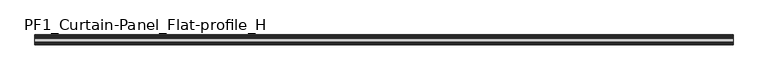
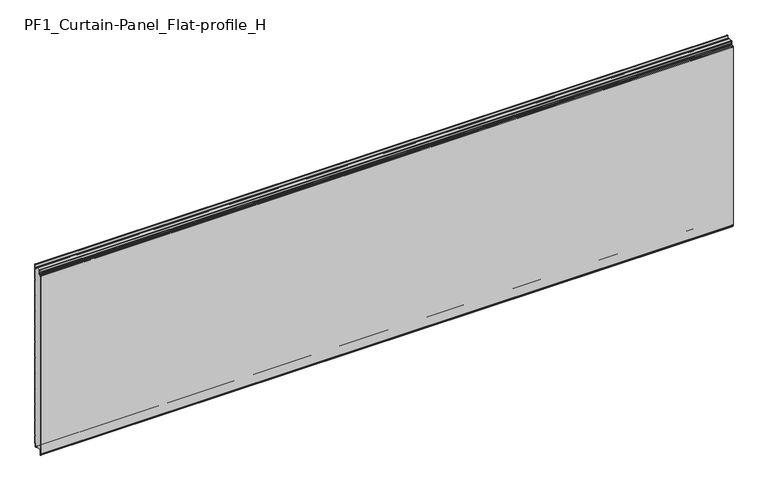
"""IFC4 building model written with IfcOpenShell, lengths in millimetres: plate geometry, PF1_Curtain-Panel_Flat-profile_H."""

from ifc_helpers import new_model, si_unit, point, frame, frame_2d, origin, place, context, project, spatial, polyline, circle_curve, trimmed, segment, composite_curve, outline, extrude, source, transform, mapped, element, save


def pf1_curtain_panel_flat_profile_h_8b7fa15d(model_context):
    return source(origin(), model_context, "Body", "SweptSolid", [
        extrude(outline(composite_curve([segment(polyline([(-15.878557, 0.0), (-20.0, 0.0), (-20.0, 0.8), (-15.878557, 0.8)]), True, "CONTINUOUS"), segment(trimmed(circle_curve(frame_2d((-15.878557, -2.0)), 2.8), [point((-15.878557, 0.8))], [point((-13.1503208, -1.370137))], False, "CARTESIAN"), True, "CONTINUOUS"), segment(polyline([(-13.1503208, -1.370137), (-11.728236, -7.529863)]), True, "CONTINUOUS"), segment(trimmed(circle_curve(frame_2d((-9.0, -6.9)), 2.8), [point((-11.728236, -7.529863))], [point((-6.2, -6.9))], True, "CARTESIAN"), True, "CONTINUOUS"), segment(polyline([(-6.2, -6.9), (-6.2, 8.6)]), True, "CONTINUOUS"), segment(trimmed(circle_curve(frame_2d((-3.4, 8.6)), 2.8), [point((-6.2, 8.6))], [point((-3.4, 11.4))], False, "CARTESIAN"), True, "CONTINUOUS"), segment(polyline([(-3.4, 11.4), (-2.0, 11.4)]), True, "CONTINUOUS"), segment(trimmed(circle_curve(frame_2d((-2.0, 12.6)), 1.2), [point((-2.0, 11.4))], [point((-0.8, 12.6))], True, "CARTESIAN"), True, "CONTINUOUS"), segment(polyline([(-0.8, 12.6), (-0.8, 57.6856412), (-2.482606, 60.6), (-0.8, 63.5143588), (-0.8, 157.6856412), (-2.482606, 160.6), (-0.8, 163.5143588), (-0.8, 257.6856412), (-2.482606, 260.6), (-0.8, 263.5143588), (-0.8, 357.6856412), (-2.482606, 360.6), (-0.8, 363.5143588), (-0.8, 457.6856412), (-2.482606, 460.6), (-0.8, 463.5143588), (-0.8, 557.6856412), (-2.482606, 560.6), (-0.8, 563.5143588), (-0.8, 657.6856412), (-2.482606, 660.6), (-0.8, 663.5143588), (-0.8, 757.6856412), (-2.482606, 760.6), (-0.8, 763.5143588), (-0.8, 857.6856412), (-2.482606, 860.6), (-0.8, 863.5143588), (-0.8, 957.6856412), (-2.482606, 960.6), (-0.8, 963.5143588), (-0.8, 1057.6856412), (-2.482606, 1060.6), (-0.8, 1063.5143588), (-0.8, 1158.268846)]), True, "CONTINUOUS"), segment(trimmed(circle_curve(frame_2d((-2.5, 1158.268846)), 1.7), [point((-0.8, 1158.268846))], [point((-4.2, 1158.268846))], True, "CARTESIAN"), True, "CONTINUOUS"), segment(polyline([(-4.2, 1158.268846), (-4.2, 1141.268846)]), True, "CONTINUOUS"), segment(trimmed(circle_curve(frame_2d((-9.0, 1141.268846)), 4.8), [point((-4.2, 1141.268846))], [point((-13.7270771, 1140.4353344))], False, "CARTESIAN"), True, "CONTINUOUS"), segment(polyline([(-13.7270771, 1140.4353344), (-14.8636953, 1146.8814129)]), True, "CONTINUOUS"), segment(trimmed(circle_curve(frame_2d((-16.6363492, 1146.568846)), 1.8), [point((-14.8636953, 1146.8814129))], [point((-16.6363492, 1148.368846))], True, "CARTESIAN"), True, "CONTINUOUS"), segment(polyline([(-16.6363492, 1148.368846), (-20.0, 1148.368846), (-20.0, 1149.168846), (-16.6363492, 1149.168846)]), True, "CONTINUOUS"), segment(trimmed(circle_curve(frame_2d((-16.6363492, 1146.568846)), 2.6), [point((-16.6363492, 1149.168846))], [point((-14.0758491, 1147.0203315))], False, "CARTESIAN"), True, "CONTINUOUS"), segment(polyline([(-14.0758491, 1147.0203315), (-12.939231, 1140.574253)]), True, "CONTINUOUS"), segment(trimmed(circle_curve(frame_2d((-9.0, 1141.268846)), 4.0), [point((-12.939231, 1140.574253))], [point((-5.0, 1141.268846))], True, "CARTESIAN"), True, "CONTINUOUS"), segment(polyline([(-5.0, 1141.268846), (-5.0, 1158.268846)]), True, "CONTINUOUS"), segment(trimmed(circle_curve(frame_2d((-2.5, 1158.268846)), 2.5), [point((-5.0, 1158.268846))], [point((0.0, 1158.268846))], False, "CARTESIAN"), True, "CONTINUOUS"), segment(polyline([(0.0, 1158.268846), (0.0, 1063.2999995), (-1.5588455, 1060.6), (0.0, 1057.9000005), (0.0, 963.2999995), (-1.5588455, 960.6), (0.0, 957.9000005), (0.0, 863.2999995), (-1.5588455, 860.6), (0.0, 857.9000005), (0.0, 763.2999995), (-1.5588455, 760.6), (0.0, 757.9000005), (0.0, 663.2999995), (-1.5588455, 660.6), (0.0, 657.9000005), (0.0, 563.2999995), (-1.5588455, 560.6), (0.0, 557.9000005), (0.0, 463.2999995), (-1.5588455, 460.6), (0.0, 457.9000005), (0.0, 363.2999995), (-1.5588455, 360.6), (0.0, 357.9000005), (0.0, 263.2999995), (-1.5588455, 260.6), (0.0, 257.9000005), (0.0, 163.2999995), (-1.5588455, 160.6), (0.0, 157.9000005), (0.0, 63.2999995), (-1.5588455, 60.6), (0.0, 57.9000005), (0.0, 12.6)]), True, "CONTINUOUS"), segment(trimmed(circle_curve(frame_2d((-2.0, 12.6)), 2.0), [point((0.0, 12.6))], [point((-2.0, 10.6))], False, "CARTESIAN"), True, "CONTINUOUS"), segment(polyline([(-2.0, 10.6), (-3.4, 10.6)]), True, "CONTINUOUS"), segment(trimmed(circle_curve(frame_2d((-3.4, 8.6)), 2.0), [point((-3.4, 10.6))], [point((-5.4, 8.6))], True, "CARTESIAN"), True, "CONTINUOUS"), segment(polyline([(-5.4, 8.6), (-5.4, -6.9)]), True, "CONTINUOUS"), segment(trimmed(circle_curve(frame_2d((-9.0, -6.9)), 3.6), [point((-5.4, -6.9))], [point((-12.5077322, -7.7098239))], False, "CARTESIAN"), True, "CONTINUOUS"), segment(polyline([(-12.5077322, -7.7098239), (-13.929817, -1.5500979)]), True, "CONTINUOUS"), segment(trimmed(circle_curve(frame_2d((-15.878557, -2.0)), 2.0), [point((-13.929817, -1.5500979))], [point((-15.878557, 0.0))], True, "CARTESIAN"), True, "CONTINUOUS")], self_intersect=False)), frame((-2100.0, 0.0, 0.0), z_axis=(1.0, 0.0, 0.0), x_axis=(0.0, 1.0, 0.0)), (0.0, 0.0, 1.0), 4200.0),
        extrude(outline(composite_curve([segment(polyline([(-50.0, 0.0), (-53.5, 0.0)]), True, "CONTINUOUS"), segment(trimmed(circle_curve(frame_2d((-53.5, -2.0)), 2.0), [point((-53.5, 0.0))], [point((-55.5, -2.0))], True, "CARTESIAN"), True, "CONTINUOUS"), segment(polyline([(-55.5, -2.0), (-55.5, -33.0)]), True, "CONTINUOUS"), segment(trimmed(circle_curve(frame_2d((-56.5, -33.0)), 1.0), [point((-55.5, -33.0))], [point((-57.5, -33.0))], False, "CARTESIAN"), True, "CONTINUOUS"), segment(polyline([(-57.5, -33.0), (-57.5, -26.9)]), True, "CONTINUOUS"), segment(trimmed(circle_curve(frame_2d((-58.4, -26.9)), 0.9), [point((-57.5, -26.9))], [point((-58.4, -26.0))], True, "CARTESIAN"), True, "CONTINUOUS"), segment(trimmed(circle_curve(frame_2d((-58.4, -24.4)), 1.6), [point((-58.4, -26.0))], [point((-60.0, -24.4))], False, "CARTESIAN"), True, "CONTINUOUS"), segment(polyline([(-60.0, -24.4), (-60.0, 1123.168846)]), True, "CONTINUOUS"), segment(trimmed(circle_curve(frame_2d((-59.0, 1123.168846)), 1.0), [point((-60.0, 1123.168846))], [point((-58.0, 1123.168846))], False, "CARTESIAN"), True, "CONTINUOUS"), segment(polyline([(-58.0, 1123.168846), (-58.0, 1117.168846)]), True, "CONTINUOUS"), segment(trimmed(circle_curve(frame_2d((-56.5, 1117.168846)), 1.5), [point((-58.0, 1117.168846))], [point((-55.0, 1117.168846))], True, "CARTESIAN"), True, "CONTINUOUS"), segment(polyline([(-55.0, 1117.168846), (-55.0, 1117.9964664)]), True, "CONTINUOUS"), segment(trimmed(circle_curve(frame_2d((-48.8276204, 1117.9964664)), 6.1723796), [point((-55.0, 1117.9964664))], [point((-48.8276204, 1124.168846))], False, "CARTESIAN"), True, "CONTINUOUS"), segment(polyline([(-48.8276204, 1124.168846), (-48.0, 1124.168846)]), True, "CONTINUOUS"), segment(trimmed(circle_curve(frame_2d((-48.0, 1125.168846)), 1.0), [point((-48.0, 1124.168846))], [point((-47.0, 1125.168846))], True, "CARTESIAN"), True, "CONTINUOUS"), segment(polyline([(-47.0, 1125.168846), (-47.0, 1131.6688472), (-45.4999999, 1133.168846), (-47.0, 1134.6688448), (-47.0, 1146.568846)]), True, "CONTINUOUS"), segment(trimmed(circle_curve(frame_2d((-44.4, 1146.568846)), 2.6), [point((-47.0, 1146.568846))], [point((-44.4, 1149.168846))], False, "CARTESIAN"), True, "CONTINUOUS"), segment(polyline([(-44.4, 1149.168846), (-43.0, 1149.168846), (-43.0, 1148.368846), (-44.4, 1148.368846)]), True, "CONTINUOUS"), segment(trimmed(circle_curve(frame_2d((-44.4, 1146.568846)), 1.8), [point((-44.4, 1148.368846))], [point((-46.2, 1146.568846))], True, "CARTESIAN"), True, "CONTINUOUS"), segment(polyline([(-46.2, 1146.568846), (-46.2, 1135.0002158), (-44.3686285, 1133.168846), (-46.2, 1131.3374762), (-46.2, 1125.168846)]), True, "CONTINUOUS"), segment(trimmed(circle_curve(frame_2d((-48.0, 1125.168846)), 1.8), [point((-46.2, 1125.168846))], [point((-48.0, 1123.368846))], False, "CARTESIAN"), True, "CONTINUOUS"), segment(polyline([(-48.0, 1123.368846), (-48.8276204, 1123.368846)]), True, "CONTINUOUS"), segment(trimmed(circle_curve(frame_2d((-48.8276204, 1117.9964664)), 5.3723796), [point((-48.8276204, 1123.368846))], [point((-54.2, 1117.9964664))], True, "CARTESIAN"), True, "CONTINUOUS"), segment(polyline([(-54.2, 1117.9964664), (-54.2, 1117.168846)]), True, "CONTINUOUS"), segment(trimmed(circle_curve(frame_2d((-56.4, 1117.168846)), 2.2), [point((-54.2, 1117.168846))], [point((-58.6, 1117.168846))], False, "CARTESIAN"), True, "CONTINUOUS"), segment(polyline([(-58.6, 1117.168846), (-58.6, 1123.0579973)]), True, "CONTINUOUS"), segment(trimmed(circle_curve(frame_2d((-58.9, 1123.0579973)), 0.3), [point((-58.6, 1123.0579973))], [point((-59.2, 1123.0579973))], True, "CARTESIAN"), True, "CONTINUOUS"), segment(polyline([(-59.2, 1123.0579973), (-59.2, -24.4)]), True, "CONTINUOUS"), segment(trimmed(circle_curve(frame_2d((-58.4, -24.4)), 0.8), [point((-59.2, -24.4))], [point((-58.4, -25.2))], True, "CARTESIAN"), True, "CONTINUOUS"), segment(trimmed(circle_curve(frame_2d((-58.6133333, -26.9)), 1.7133333), [point((-58.4, -25.2))], [point((-56.9, -26.9))], False, "CARTESIAN"), True, "CONTINUOUS"), segment(polyline([(-56.9, -26.9), (-56.9, -32.8700312)]), True, "CONTINUOUS"), segment(trimmed(circle_curve(frame_2d((-56.6, -32.8700312)), 0.3), [point((-56.9, -32.8700312))], [point((-56.3, -32.8700312))], True, "CARTESIAN"), True, "CONTINUOUS"), segment(polyline([(-56.3, -32.8700312), (-56.3, -2.0)]), True, "CONTINUOUS"), segment(trimmed(circle_curve(frame_2d((-53.5, -2.0)), 2.8), [point((-56.3, -2.0))], [point((-53.5, 0.8))], False, "CARTESIAN"), True, "CONTINUOUS"), segment(polyline([(-53.5, 0.8), (-50.0, 0.8), (-50.0, 0.0)]), True, "CONTINUOUS")], self_intersect=False)), frame((-2100.0, 0.0, 0.0), z_axis=(1.0, 0.0, 0.0), x_axis=(0.0, 1.0, 0.0)), (0.0, 0.0, 1.0), 4200.0),
        extrude(outline(composite_curve([segment(polyline([(-50.0, 0.8), (-53.5, 0.8)]), True, "CONTINUOUS"), segment(trimmed(circle_curve(frame_2d((-53.5, -2.0)), 2.8), [point((-53.5, 0.8))], [point((-56.3, -2.0))], True, "CARTESIAN"), True, "CONTINUOUS"), segment(polyline([(-56.3, -2.0), (-56.3, -32.8700312)]), True, "CONTINUOUS"), segment(trimmed(circle_curve(frame_2d((-56.6, -32.8700312)), 0.3), [point((-56.3, -32.8700312))], [point((-56.9, -32.8700312))], False, "CARTESIAN"), True, "CONTINUOUS"), segment(polyline([(-56.9, -32.8700312), (-56.9, -26.9)]), True, "CONTINUOUS"), segment(trimmed(circle_curve(frame_2d((-58.6133333, -26.9)), 1.7133333), [point((-56.9, -26.9))], [point((-58.4, -25.2))], True, "CARTESIAN"), True, "CONTINUOUS"), segment(trimmed(circle_curve(frame_2d((-58.4, -24.4)), 0.8), [point((-58.4, -25.2))], [point((-59.2, -24.4))], False, "CARTESIAN"), True, "CONTINUOUS"), segment(polyline([(-59.2, -24.4), (-59.2, 1123.0579973)]), True, "CONTINUOUS"), segment(trimmed(circle_curve(frame_2d((-58.9, 1123.0579973)), 0.3), [point((-59.2, 1123.0579973))], [point((-58.6, 1123.0579973))], False, "CARTESIAN"), True, "CONTINUOUS"), segment(polyline([(-58.6, 1123.0579973), (-58.6, 1117.168846)]), True, "CONTINUOUS"), segment(trimmed(circle_curve(frame_2d((-56.4, 1117.168846)), 2.2), [point((-58.6, 1117.168846))], [point((-54.2, 1117.168846))], True, "CARTESIAN"), True, "CONTINUOUS"), segment(polyline([(-54.2, 1117.168846), (-54.2, 1117.9964664)]), True, "CONTINUOUS"), segment(trimmed(circle_curve(frame_2d((-48.8276204, 1117.9964664)), 5.3723796), [point((-54.2, 1117.9964664))], [point((-48.8276204, 1123.368846))], False, "CARTESIAN"), True, "CONTINUOUS"), segment(polyline([(-48.8276204, 1123.368846), (-48.0, 1123.368846)]), True, "CONTINUOUS"), segment(trimmed(circle_curve(frame_2d((-48.0, 1125.168846)), 1.8), [point((-48.0, 1123.368846))], [point((-46.2, 1125.168846))], True, "CARTESIAN"), True, "CONTINUOUS"), segment(polyline([(-46.2, 1125.168846), (-46.2, 1131.3374762), (-44.3686285, 1133.168846), (-46.2, 1135.0002158), (-46.2, 1146.568846)]), True, "CONTINUOUS"), segment(trimmed(circle_curve(frame_2d((-44.4, 1146.568846)), 1.8), [point((-46.2, 1146.568846))], [point((-44.4, 1148.368846))], False, "CARTESIAN"), True, "CONTINUOUS"), segment(polyline([(-44.4, 1148.368846), (-43.0, 1148.368846), (-43.0, 1149.168846), (-20.0, 1149.168846), (-20.0, 1148.368846), (-16.6363492, 1148.368846)]), True, "CONTINUOUS"), segment(trimmed(circle_curve(frame_2d((-16.6363492, 1146.568846)), 1.8), [point((-16.6363492, 1148.368846))], [point((-14.8636953, 1146.8814129))], False, "CARTESIAN"), True, "CONTINUOUS"), segment(polyline([(-14.8636953, 1146.8814129), (-13.7270772, 1140.4353344)]), True, "CONTINUOUS"), segment(trimmed(circle_curve(frame_2d((-9.0, 1141.268846)), 4.8), [point((-13.7270772, 1140.4353344))], [point((-4.2, 1141.268846))], True, "CARTESIAN"), True, "CONTINUOUS"), segment(polyline([(-4.2, 1141.268846), (-4.2, 1158.268846)]), True, "CONTINUOUS"), segment(trimmed(circle_curve(frame_2d((-2.5, 1158.268846)), 1.7), [point((-4.2, 1158.268846))], [point((-0.8, 1158.268846))], False, "CARTESIAN"), True, "CONTINUOUS"), segment(polyline([(-0.8, 1158.268846), (-0.8, 1063.5143588), (-2.482606, 1060.6), (-0.8, 1057.6856412), (-0.8, 963.5143588), (-2.482606, 960.6), (-0.8, 957.6856412), (-0.8, 863.5143588), (-2.482606, 860.6), (-0.8, 857.6856412), (-0.8, 763.5143588), (-2.482606, 760.6), (-0.8, 757.6856412), (-0.8, 663.5143588), (-2.482606, 660.6), (-0.8, 657.6856412), (-0.8, 563.5143588), (-2.482606, 560.6), (-0.8, 557.6856412), (-0.8, 463.5143588), (-2.482606, 460.6), (-0.8, 457.6856412), (-0.8, 363.5143588), (-2.482606, 360.6), (-0.8, 357.6856412), (-0.8, 263.5143588), (-2.482606, 260.6), (-0.8, 257.6856412), (-0.8, 163.5143588), (-2.482606, 160.6), (-0.8, 157.6856412), (-0.8, 63.5143588), (-2.482606, 60.6), (-0.8, 57.6856412), (-0.8, 12.6)]), True, "CONTINUOUS"), segment(trimmed(circle_curve(frame_2d((-2.0, 12.6)), 1.2), [point((-0.8, 12.6))], [point((-2.0, 11.4))], False, "CARTESIAN"), True, "CONTINUOUS"), segment(polyline([(-2.0, 11.4), (-3.4, 11.4)]), True, "CONTINUOUS"), segment(trimmed(circle_curve(frame_2d((-3.4, 8.6)), 2.8), [point((-3.4, 11.4))], [point((-6.2, 8.6))], True, "CARTESIAN"), True, "CONTINUOUS"), segment(polyline([(-6.2, 8.6), (-6.2, -6.9)]), True, "CONTINUOUS"), segment(trimmed(circle_curve(frame_2d((-9.0, -6.9)), 2.8), [point((-6.2, -6.9))], [point((-11.7282362, -7.529863))], False, "CARTESIAN"), True, "CONTINUOUS"), segment(polyline([(-11.7282362, -7.529863), (-13.1503208, -1.370137)]), True, "CONTINUOUS"), segment(trimmed(circle_curve(frame_2d((-15.878557, -2.0)), 2.8), [point((-13.1503208, -1.370137))], [point((-15.878557, 0.8))], True, "CARTESIAN"), True, "CONTINUOUS"), segment(polyline([(-15.878557, 0.8), (-20.0, 0.8), (-20.0, 0.0), (-50.0, 0.0), (-50.0, 0.8)]), True, "CONTINUOUS")], self_intersect=False)), frame((-2100.0, 0.0, 0.0), z_axis=(1.0, 0.0, 0.0), x_axis=(0.0, 1.0, 0.0)), (0.0, 0.0, 1.0), 4200.0),
    ])


if __name__ == "__main__":
    model = new_model("IFC4")
    model_context = context("Model", 3, world=origin())
    ifc_project = project(units=[si_unit("LENGTHUNIT", "METRE", prefix="MILLI")], contexts=[model_context])
    site = spatial("IfcSite", under=ifc_project)
    building = spatial("IfcBuilding", under=site)
    placement = place(None, origin())
    pf1_curtain_panel_flat_profile_h_shape = pf1_curtain_panel_flat_profile_h_8b7fa15d(model_context)
    element("IfcPlate", 1, ObjectType="PF1_Curtain-Panel_Flat-profile_H", at=placement, inside=building, context=model_context, shape_type="MappedRepresentation", body=[
        mapped(pf1_curtain_panel_flat_profile_h_shape, transform((0.0, 0.0, 0.0), x_axis=(1.0, 0.0, 0.0), y_axis=(0.0, 1.0, 0.0), z_axis=(0.0, 0.0, 1.0))),
    ])
    save(model, "model.ifc")
